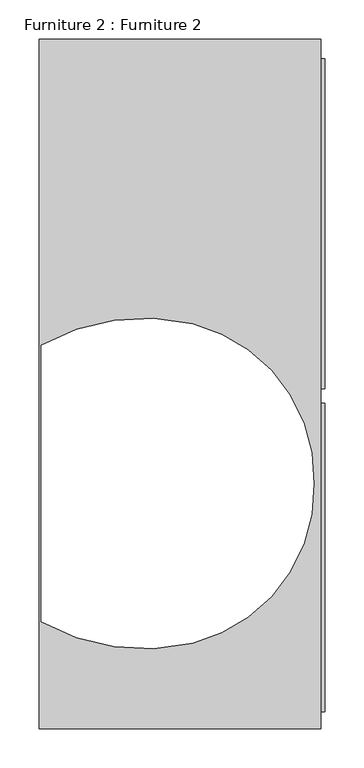
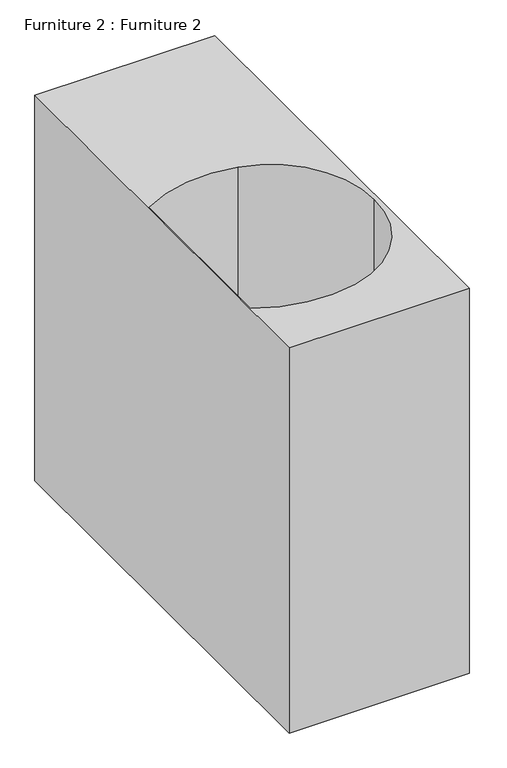
"""IFC4 building model written with IfcOpenShell, lengths in millimetres: furniture geometry, Furniture 2 : Furniture 2."""

from ifc_helpers import new_model, si_unit, point, frame, frame_2d, origin, origin_with_axes, place, context, project, spatial, polyline, circle_curve, trimmed, segment, composite_curve, outline, extrude, source, transform, mapped, element, save


def furniture_2_furniture_2_46cf1cde(model_context):
    return source(origin(), model_context, "Body", "SweptSolid", [
        extrude(outline(polyline([(339.7245144, -1033.3491836), (339.7245144, -1427.0491836), (334.5652544, -1427.0491836), (334.5652544, -1033.3491836), (339.7245144, -1033.3491836)])), frame((0.0, 0.0, 29.4663727), z_axis=(0.0, 0.0, 1.0), x_axis=(1.0, 0.0, 0.0)), (0.0, 0.0, 1.0), 762.0),
        extrude(outline(polyline([(339.7245144, -593.6404468), (339.7245144, -1014.5581665), (334.5652544, -1014.5581665), (334.5652544, -593.6404468), (339.7245144, -593.6404468)])), frame((0.0, 0.0, 29.4663727), z_axis=(0.0, 0.0, 1.0), x_axis=(1.0, 0.0, 0.0)), (0.0, 0.0, 1.0), 762.0),
        extrude(outline(polyline([(334.5652544, -1448.7104026), (-25.4868558, -1448.7104026), (-25.4868558, -568.3569871), (334.5652544, -568.3569871), (334.5652544, -1448.7104026)]), holes=[composite_curve([segment(trimmed(circle_curve(frame_2d((122.3107008, -1129.761666)), 203.5258724), [point((325.7515927, -1135.6425042))], [point((170.2892255, -931.9717726))], True, "CARTESIAN"), True, "CONTINUOUS"), segment(trimmed(circle_curve(frame_2d((107.9492558, -1188.9662517)), 264.4474127), [point((170.2892255, -931.9717726))], [point((-22.8130479, -959.1105273))], True, "CARTESIAN"), True, "CONTINUOUS"), segment(polyline([(-22.8130479, -959.1105273), (-22.8130479, -1312.1744811)]), True, "CONTINUOUS"), segment(trimmed(circle_curve(frame_2d((107.9492558, -1082.3187567)), 264.4474127), [point((-22.8130479, -1312.1744811))], [point((170.2892255, -1339.3132358))], True, "CARTESIAN"), True, "CONTINUOUS"), segment(trimmed(circle_curve(frame_2d((122.3107008, -1141.5233424)), 203.5258724), [point((170.2892255, -1339.3132358))], [point((325.7515927, -1135.6425042))], True, "CARTESIAN"), True, "CONTINUOUS")], self_intersect=False)]), origin_with_axes(), (0.0, 0.0, 1.0), 814.3829083),
    ])


if __name__ == "__main__":
    model = new_model("IFC4")
    model_context = context("Model", 3, world=origin())
    ifc_project = project(units=[si_unit("LENGTHUNIT", "METRE", prefix="MILLI")], contexts=[model_context])
    site = spatial("IfcSite", under=ifc_project)
    building = spatial("IfcBuilding", under=site)
    placement = place(None, origin())
    furniture_2_furniture_2_shape = furniture_2_furniture_2_46cf1cde(model_context)
    element("IfcFurniture", 1, ObjectType="Furniture 2 : Furniture 2", at=placement, inside=building, context=model_context, shape_type="MappedRepresentation", body=[
        mapped(furniture_2_furniture_2_shape, transform((0.0, 0.0, 0.0), x_axis=(1.0, 0.0, 0.0), y_axis=(0.0, 1.0, 0.0), z_axis=(0.0, 0.0, 1.0))),
    ])
    save(model, "model.ifc")
